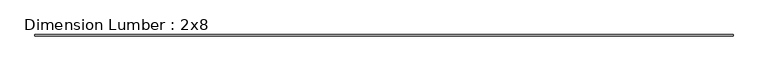
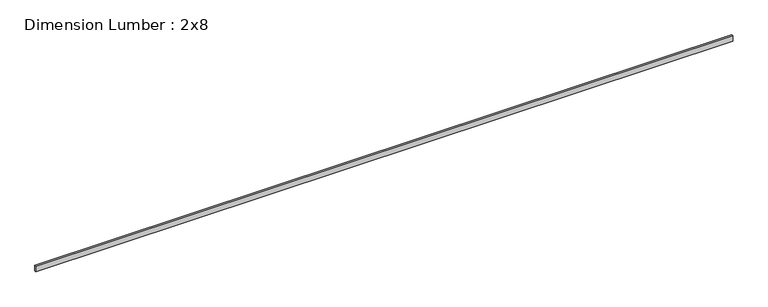
"""IFC4 building model written with IfcOpenShell, lengths in millimetres: beam geometry, Dimension Lumber : 2x8."""

from ifc_helpers import new_model, si_unit, frame, origin, place, context, project, spatial, polyline, outline, extrude, source, transform, mapped, element, save


def dimension_lumber_2x8_a9b21901(model_context):
    return source(origin(), model_context, "Body", "SweptSolid", [
        extrude(outline(polyline([(10901.039655, 19.05), (10901.039655, -19.05), (-10901.039655, -19.05), (-10901.039655, 19.05), (10901.039655, 19.05)])), frame((0.0, 0.0, -92.075), z_axis=(0.0, 0.0, 1.0), x_axis=(1.0, 0.0, 0.0)), (0.0, 0.0, 1.0), 184.15),
    ])


if __name__ == "__main__":
    model = new_model("IFC4")
    model_context = context("Model", 3, world=origin())
    ifc_project = project(units=[si_unit("LENGTHUNIT", "METRE", prefix="MILLI")], contexts=[model_context])
    site = spatial("IfcSite", under=ifc_project)
    building = spatial("IfcBuilding", under=site)
    placement = place(None, origin())
    dimension_lumber_2x8_shape = dimension_lumber_2x8_a9b21901(model_context)
    element("IfcBeam", 1, ObjectType="Dimension Lumber : 2x8", at=placement, inside=building, context=model_context, shape_type="MappedRepresentation", body=[
        mapped(dimension_lumber_2x8_shape, transform((0.0, 0.0, 0.0), x_axis=(1.0, 0.0, 0.0), y_axis=(0.0, 1.0, 0.0), z_axis=(0.0, 0.0, 1.0))),
    ])
    save(model, "model.ifc")
